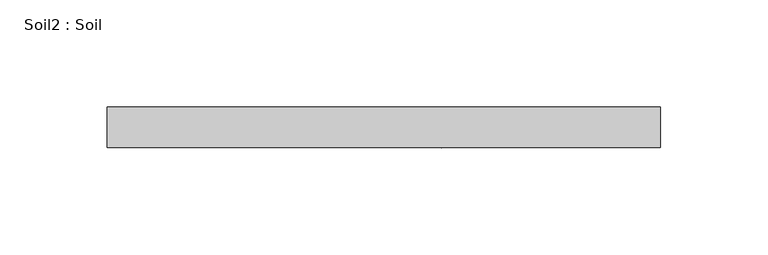
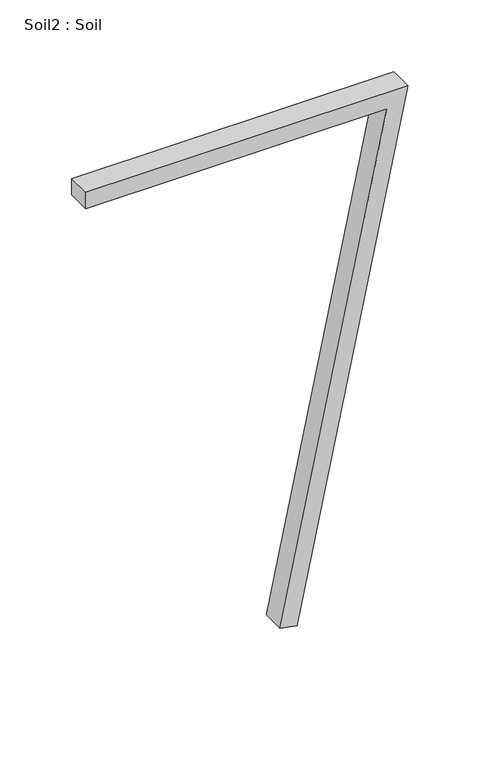
"""IFC4 building model written with IfcOpenShell, lengths in millimetres: proxy geometry, Soil2 : Soil."""

from ifc_helpers import new_model, si_unit, frame, origin, place, context, project, spatial, polyline, outline, extrude, source, transform, mapped, element, save


def soil2_soil_2af978a6(model_context):
    return source(origin(), model_context, "Body", "SweptSolid", [
        extrude(outline(polyline([(623.3062768, 37871.5195312), (609.6, 37871.5195312), (609.6, 38113.2694791), (199.0449966, 38027.7371869), (196.2495432, 38041.1553632), (623.3062768, 38130.1255163), (623.3062768, 37871.5195312)])), frame((0.0, -18814.8264268, 0.0), z_axis=(0.0, 1.0, 0.0), x_axis=(0.0, 0.0, 1.0)), (0.0, 0.0, 1.0), 19.05),
    ])


if __name__ == "__main__":
    model = new_model("IFC4")
    model_context = context("Model", 3, world=origin())
    ifc_project = project(units=[si_unit("LENGTHUNIT", "METRE", prefix="MILLI")], contexts=[model_context])
    site = spatial("IfcSite", under=ifc_project)
    building = spatial("IfcBuilding", under=site)
    placement = place(None, origin())
    soil2_soil_shape = soil2_soil_2af978a6(model_context)
    element("IfcBuildingElementProxy", 1, Name="Soil2 : Soil", ObjectType="Soil2 : Soil", at=placement, inside=building, context=model_context, shape_type="MappedRepresentation", body=[
        mapped(soil2_soil_shape, transform((0.0, 0.0, 0.0), x_axis=(1.0, 0.0, 0.0), y_axis=(0.0, 1.0, 0.0), z_axis=(0.0, 0.0, 1.0))),
    ])
    save(model, "model.ifc")
